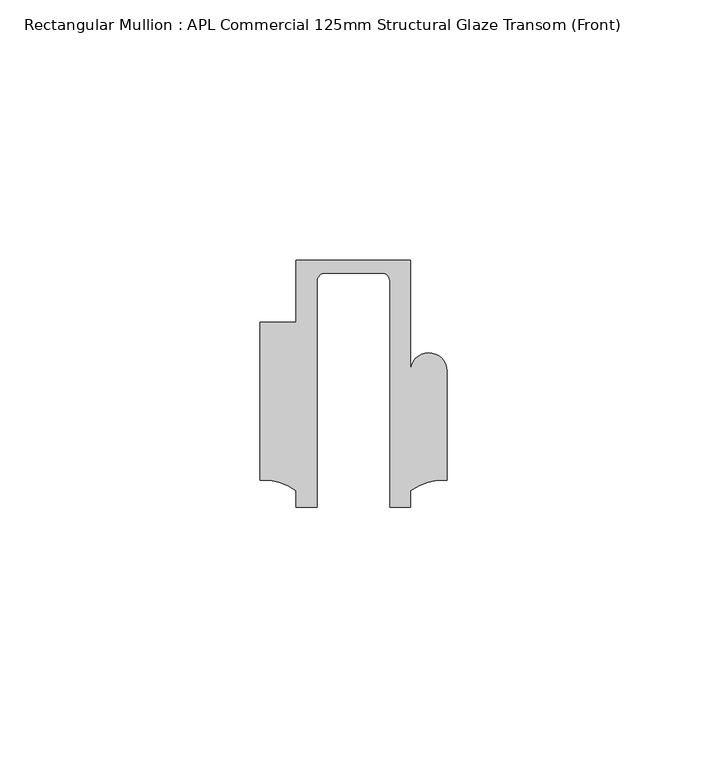
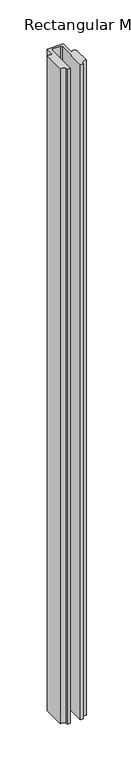
"""IFC4 building model written with IfcOpenShell, lengths in millimetres: member geometry, Rectangular Mullion : APL Commercial 125mm Structural Glaze Transom (Front)."""

from ifc_helpers import new_model, si_unit, frame, origin, place, context, project, spatial, polyline, circle_curve, source, transform, mapped, element, save
from ifc_brep_helpers import plane_surface, cylinder_surface, revolved_surface, advanced_brep


def rectangular_mullion_apl_commercial_125mm_structural_glaze_8a6498db(model_context):
    return source(origin(), model_context, "Body", "AdvancedBrep", [
        advanced_brep(
        [(-11.0000151, 27.0, 0.0), (-11.0000151, 15.0006281, 0.0), (-17.9999542, 15.0006281, 0.0), (-17.9999542, -15.3797475, 0.0), (-10.9999994, -17.3125325, 0.0), (-10.9999994, -20.5, 0.0), (-6.9999853, -20.5, 0.0), (-6.9999853, 22.9976091, 0.0), (-5.4999873, 24.5, 0.0), (5.4999872, 24.5, 0.0), (6.9999849, 22.9973451, 0.0), (6.9999849, -20.5, 0.0), (11.0000151, -20.5, 0.0), (11.0000151, -17.3125212, 0.0), (17.9999542, -15.3797475, 0.0), (17.9999542, 5.684606, 0.0), (11.001071, 5.5848769, 0.0), (11.001071, 27.0, 0.0), (-11.0000151, 27.0, -948.6364888), (11.001071, 27.0, -948.6364888), (11.001071, 5.5848769, -948.6364888), (17.9999091, 5.6750512, -948.6364888), (17.9999542, -15.3797475, -948.6364888), (11.0000151, -17.3125212, -948.6364888), (11.0000151, -20.5, -948.6364888), (6.9999849, -20.5, -948.6364888), (6.9999849, 22.9973451, -948.6364888), (5.4999872, 24.5, -948.6364888), (-5.4999873, 24.5, -948.6364888), (-6.9999853, 22.9976091, -948.6364888), (-6.9999853, -20.5, -948.6364888), (-10.9999994, -20.5, -948.6364888), (-10.9999994, -17.3125325, -948.6364888), (-17.9999542, -15.3797475, -948.6364888), (-17.9999542, 15.0006281, -948.6364888), (-11.0000151, 15.0006281, -948.6364888)],
        [
            (0, 1),
            (1, 2),
            (2, 3),
            (3, 4, circle_curve(frame((-17.109817, -25.7981812, 0.0), z_axis=(0.0, 0.0, -1.0), x_axis=(0.0, 1.0, 0.0)), 10.4563907)),
            (4, 5),
            (5, 6),
            (6, 7),
            (7, 8, circle_curve(frame((-5.4999873, 23.0, 0.0), z_axis=(0.0, 0.0, -1.0), x_axis=(2.7320010112268853e-08, 0.9999999999999997, 0.0)), 1.5)),
            (8, 9),
            (9, 10, circle_curve(frame((5.4999872, 23.0, 0.0), z_axis=(0.0, 0.0, -1.0), x_axis=(0.9999999999999986, -5.463622857820516e-08, 0.0)), 1.5)),
            (10, 11),
            (11, 12),
            (12, 13),
            (13, 14, circle_curve(frame((17.109817, -25.7981812, 0.0), z_axis=(0.0, 0.0, -1.0), x_axis=(0.0, 1.0, 0.0)), 10.4563907)),
            (14, 15),
            (15, 16, circle_curve(frame((14.4999091, 5.6750512, 0.0), z_axis=(0.0, 0.0, 1.0), x_axis=(-0.9999826028573957, -0.005898642432633649, 0.0)), 3.5)),
            (16, 17),
            (17, 0),
            (18, 19),
            (19, 20),
            (20, 21, circle_curve(frame((14.4999091, 5.6750512, -948.6364888), z_axis=(0.0, 0.0, -1.0), x_axis=(-0.9999826028573957, -0.005898642432633649, 0.0)), 3.5)),
            (21, 22),
            (22, 23, circle_curve(frame((17.109817, -25.7981812, -948.6364888), z_axis=(0.0, 0.0, 1.0), x_axis=(0.0, 1.0, 0.0)), 10.4563907)),
            (23, 24),
            (24, 25),
            (25, 26),
            (26, 27, circle_curve(frame((5.4999872, 23.0, -948.6364888), z_axis=(0.0, 0.0, 1.0), x_axis=(0.9999999999999986, -5.463622857820516e-08, 0.0)), 1.5)),
            (27, 28),
            (28, 29, circle_curve(frame((-5.4999873, 23.0, -948.6364888), z_axis=(0.0, 0.0, 1.0), x_axis=(2.7320010112268853e-08, 0.9999999999999997, 0.0)), 1.5)),
            (29, 30),
            (30, 31),
            (31, 32),
            (32, 33, circle_curve(frame((-17.109817, -25.7981812, -948.6364888), z_axis=(0.0, 0.0, 1.0), x_axis=(0.0, 1.0, 0.0)), 10.4563907)),
            (33, 34),
            (34, 35),
            (35, 18),
            (0, 18),
            (35, 1),
            (34, 2),
            (33, 3),
            (32, 4),
            (31, 5),
            (30, 6),
            (29, 7),
            (28, 8),
            (27, 9),
            (26, 10),
            (25, 11),
            (24, 12),
            (23, 13),
            (22, 14),
            (21, 15),
            (20, 16),
            (19, 17),
        ],
        [
            plane_surface(frame((0.0, -29.1551636, 0.0), z_axis=(0.0, 0.0, 1.0), x_axis=(-1.0, 0.0, 0.0))),
            plane_surface(frame((0.0, -29.1551636, -948.6364888), z_axis=(0.0, 0.0, -1.0), x_axis=(-1.0, 0.0, 0.0))),
            plane_surface(frame((-11.0000151, 27.0, 0.0), z_axis=(-1.0, 0.0, 0.0), x_axis=(0.0, 0.0, -1.0))),
            plane_surface(frame((-11.0000151, 15.0006281, 0.0), z_axis=(0.0, 1.0, 0.0), x_axis=(0.0, 0.0, -1.0))),
            plane_surface(frame((-17.9999542, 15.0006281, 0.0), z_axis=(-1.0, 0.0, 0.0), x_axis=(0.0, 0.0, -1.0))),
            revolved_surface(polyline([(-17.109817, -15.341790499999998, -948.6364888), (-17.109817, -15.341790499999998, 0.0)]), (-17.109817, -25.7981812, 0.0), (0.0, 0.0, -1.0)),
            plane_surface(frame((-10.9999994, -17.3125325, 0.0), z_axis=(-1.0, 0.0, 0.0), x_axis=(0.0, 0.0, -1.0))),
            plane_surface(frame((-10.9999994, -20.5, 0.0), z_axis=(0.0, -1.0, 0.0), x_axis=(0.0, 0.0, -1.0))),
            plane_surface(frame((-6.9999853, -20.5, 0.0), z_axis=(1.0, 0.0, 0.0), x_axis=(0.0, 0.0, -1.0))),
            revolved_surface(polyline([(-5.499987259019985, 24.5, -948.6364888), (-5.499987259019985, 24.5, 0.0)]), (-5.4999873, 23.0, 0.0), (0.0, 0.0, -1.0)),
            plane_surface(frame((-5.4999873, 24.5, 0.0), z_axis=(0.0, -1.0, 0.0), x_axis=(0.0, 0.0, -1.0))),
            revolved_surface(polyline([(6.999987199999998, 22.999999918045656, -948.6364888), (6.999987199999998, 22.999999918045656, 0.0)]), (5.4999872, 23.0, 0.0), (0.0, 0.0, -1.0)),
            plane_surface(frame((6.9999849, 22.9973451, 0.0), z_axis=(-1.0, 0.0, 0.0), x_axis=(0.0, 0.0, -1.0))),
            plane_surface(frame((6.9999849, -20.5, 0.0), z_axis=(0.0, -1.0, 0.0), x_axis=(0.0, 0.0, -1.0))),
            plane_surface(frame((11.0000151, -20.5, 0.0), z_axis=(1.0, 0.0, 0.0), x_axis=(0.0, 0.0, -1.0))),
            revolved_surface(polyline([(17.109817, -15.341790499999998, -948.6364888), (17.109817, -15.341790499999998, 0.0)]), (17.109817, -25.7981812, 0.0), (0.0, 0.0, -1.0)),
            plane_surface(frame((17.9999542, -15.3797475, 0.0), z_axis=(1.0, 0.0, 0.0), x_axis=(0.0, 0.0, -1.0))),
            cylinder_surface(frame((14.4999091, 5.6750512, 0.0), z_axis=(0.0, 0.0, 1.0), x_axis=(-0.9999826028573957, -0.005898642432633649, 0.0)), 3.5),
            plane_surface(frame((11.001071, 5.5848769, 0.0), z_axis=(1.0, 0.0, 0.0), x_axis=(0.0, 0.0, -1.0))),
            plane_surface(frame((11.001071, 27.0, 0.0), z_axis=(0.0, 1.0, 0.0), x_axis=(0.0, 0.0, -1.0))),
        ],
        [
            (0, [[1, 2, 3, 4, 5, 6, 7, 8, 9, 10, 11, 12, 13, 14, 15, 16, 17, 18]]),
            (1, [[19, 20, 21, 22, 23, 24, 25, 26, 27, 28, 29, 30, 31, 32, 33, 34, 35, 36]]),
            (2, [[-1, 37, -36, 38]]),
            (3, [[-2, -38, -35, 39]]),
            (4, [[-3, -39, -34, 40]]),
            (5, [[-4, -40, -33, 41]]),
            (6, [[-5, -41, -32, 42]]),
            (7, [[-6, -42, -31, 43]]),
            (8, [[-7, -43, -30, 44]]),
            (9, [[-8, -44, -29, 45]]),
            (10, [[-9, -45, -28, 46]]),
            (11, [[-10, -46, -27, 47]]),
            (12, [[-11, -47, -26, 48]]),
            (13, [[-12, -48, -25, 49]]),
            (14, [[-13, -49, -24, 50]]),
            (15, [[-14, -50, -23, 51]]),
            (16, [[-15, -51, -22, 52]]),
            (17, [[-16, -52, -21, 53]]),
            (18, [[-17, -53, -20, 54]]),
            (19, [[-18, -54, -19, -37]]),
        ],
    ),
    ])


if __name__ == "__main__":
    model = new_model("IFC4")
    model_context = context("Model", 3, world=origin())
    ifc_project = project(units=[si_unit("LENGTHUNIT", "METRE", prefix="MILLI")], contexts=[model_context])
    site = spatial("IfcSite", under=ifc_project)
    building = spatial("IfcBuilding", under=site)
    placement = place(None, origin())
    rectangular_mullion_apl_commercial_125mm_structural_glaze_shape = rectangular_mullion_apl_commercial_125mm_structural_glaze_8a6498db(model_context)
    element("IfcMember", 1, ObjectType="Rectangular Mullion : APL Commercial 125mm Structural Glaze Transom (Front)", at=placement, inside=building, context=model_context, shape_type="MappedRepresentation", body=[
        mapped(rectangular_mullion_apl_commercial_125mm_structural_glaze_shape, transform((0.0, 0.0, 0.0), x_axis=(1.0, 0.0, 0.0), y_axis=(0.0, 1.0, 0.0), z_axis=(0.0, 0.0, 1.0))),
    ])
    save(model, "model.ifc")
